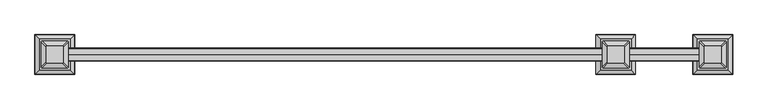
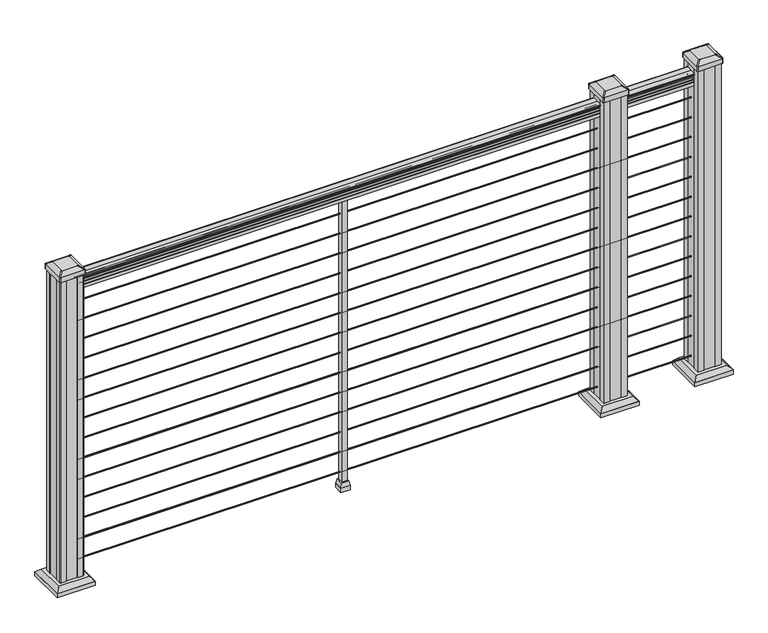
"""IFC4 building model written with IfcOpenShell, lengths in millimetres: railing geometry."""

import ifcopenshell
import ifcopenshell.guid

model = None  # the IFC model being written
_history = None  # IfcOwnerHistory: only IFC2X3 demands one
_inside = {}  # id of a spatial element -> (the spatial element, [elements in it])
_under = {}  # id of a project, library or spatial element -> (it, [spatial elements below it])
_declared = {}  # id of a project -> (the project, [libraries it declares])
_typed = {}  # id of a type object -> (the type object, [elements of that type])
_made_of = {}  # id of a material, layer set ... -> (it, [elements and type objects made of it])


def new_model(schema):
    """Start an empty IFC model of exactly this schema.

    Asked for "IFC4X3", IfcOpenShell would pick the latest addendum, in which some entities
    have other attributes; the version numbers below select the first issue.
    IFC2X3 requires an IfcOwnerHistory on every rooted entity: one is made here for all.
    """
    global model, _history
    if schema == "IFC4X3":
        model = ifcopenshell.file(schema_version=(4, 3, 0, 0))
    else:
        model = ifcopenshell.file(schema=schema)
    _inside.clear()
    _under.clear()
    _declared.clear()
    _typed.clear()
    _made_of.clear()
    _history = None
    if model.schema == "IFC2X3":
        org = make("IfcOrganization", Name="unknown")
        user = make(
            "IfcPersonAndOrganization",
            ThePerson=make("IfcPerson", FamilyName="unknown"),
            TheOrganization=org,
        )
        app = make(
            "IfcApplication",
            ApplicationDeveloper=org,
            Version="unknown",
            ApplicationFullName="unknown",
            ApplicationIdentifier="unknown",
        )
        _history = make(
            "IfcOwnerHistory",
            OwningUser=user,
            OwningApplication=app,
            ChangeAction="ADDED",
            CreationDate=0,
        )
    return model


def make(cls, **values):
    """One entity of the class cls with the attributes given. An attribute that is None is left unset."""
    return model.create_entity(
        cls, **{name: value for name, value in values.items() if value is not None}
    )


def rooted(cls, **values):
    """An entity with a GlobalId (a new one), such as an element, a storey or a relation."""
    return make(cls, GlobalId=ifcopenshell.guid.new(), OwnerHistory=_history, **values)


def si_unit(unit_type, name, prefix=None):
    """IfcSIUnit, for example si_unit("LENGTHUNIT", "METRE", prefix="MILLI")."""
    return make("IfcSIUnit", UnitType=unit_type, Prefix=prefix, Name=name)


def assignment(units):
    """IfcUnitAssignment: the units of a project."""
    return None if units is None else make("IfcUnitAssignment", Units=units)


def point(xyz):
    """IfcCartesianPoint."""
    return None if xyz is None else make("IfcCartesianPoint", Coordinates=xyz)


def direction(xyz):
    """IfcDirection."""
    return None if xyz is None else make("IfcDirection", DirectionRatios=xyz)


def frame(location, z_axis=None, x_axis=None):
    """IfcAxis2Placement3D, a coordinate frame: its origin and axes. An axis left out is left unset."""
    return make(
        "IfcAxis2Placement3D",
        Location=point(location),
        Axis=direction(z_axis),
        RefDirection=direction(x_axis),
    )


def frame_2d(location, x_axis=None):
    """IfcAxis2Placement2D, a coordinate frame in the plane: its origin and x axis."""
    return make(
        "IfcAxis2Placement2D", Location=point(location), RefDirection=direction(x_axis)
    )


def origin():
    """The frame at (0, 0, 0) with its axes left unset."""
    return frame((0.0, 0.0, 0.0))


def origin_with_axes():
    """The frame at (0, 0, 0) with the z axis (0, 0, 1) and the x axis (1, 0, 0) written out."""
    return frame((0.0, 0.0, 0.0), z_axis=(0.0, 0.0, 1.0), x_axis=(1.0, 0.0, 0.0))


def place(relative_to, where):
    """IfcLocalPlacement: puts the frame where relative to a parent placement (None: the world)."""
    return make(
        "IfcLocalPlacement", PlacementRelTo=relative_to, RelativePlacement=where
    )


def context(
    kind, dimensions, precision=None, world=None, true_north=None, identifier=None
):
    """IfcGeometricRepresentationContext, for example the 3D "Model" context."""
    return make(
        "IfcGeometricRepresentationContext",
        ContextIdentifier=identifier,
        ContextType=kind,
        CoordinateSpaceDimension=dimensions,
        Precision=precision,
        WorldCoordinateSystem=world,
        TrueNorth=true_north,
    )


def project(units=None, contexts=None):
    """IfcProject with its units and contexts."""
    return rooted(
        "IfcProject",
        Name="project",
        RepresentationContexts=contexts,
        UnitsInContext=assignment(units),
    )


def spatial(cls, under=None, at=None, **own):
    """A site, building, storey or space (cls), placed at a placement, below another one or the project."""
    s = rooted(cls, ObjectPlacement=at, **own)
    if under is not None:
        _under.setdefault(under.id(), (under, []))[1].append(s)
    return s


def polyline(points):
    """IfcPolyline through the points."""
    return make("IfcPolyline", Points=[point(p) for p in points])


def circle_curve(where, radius):
    """IfcCircle in the frame where."""
    return make("IfcCircle", Position=where, Radius=radius)


def trimmed(basis, trim1, trim2, sense, master):
    """IfcTrimmedCurve: the piece of a basis curve between two trims."""
    return make(
        "IfcTrimmedCurve",
        BasisCurve=basis,
        Trim1=trim1,
        Trim2=trim2,
        SenseAgreement=sense,
        MasterRepresentation=master,
    )


def segment(curve, same_sense, transition):
    """IfcCompositeCurveSegment."""
    return make(
        "IfcCompositeCurveSegment",
        Transition=transition,
        SameSense=same_sense,
        ParentCurve=curve,
    )


def composite_curve(segments, self_intersect=None):
    """IfcCompositeCurve: segments joined end to end."""
    return make("IfcCompositeCurve", Segments=segments, SelfIntersect=self_intersect)


def outline(outer, holes=None, kind="AREA"):
    """IfcArbitraryClosedProfileDef: a profile drawn as a closed curve; with holes, ...WithVoids."""
    if holes is None:
        return make("IfcArbitraryClosedProfileDef", ProfileType=kind, OuterCurve=outer)
    return make(
        "IfcArbitraryProfileDefWithVoids",
        ProfileType=kind,
        OuterCurve=outer,
        InnerCurves=holes,
    )


def extrude(swept, where, along, depth):
    """IfcExtrudedAreaSolid: the profile swept, set in the frame where, extruded along a direction by depth."""
    return make(
        "IfcExtrudedAreaSolid",
        SweptArea=swept,
        Position=where,
        ExtrudedDirection=direction(along),
        Depth=depth,
    )


def faces_of(points, faces, orient=None, outer=None):
    """IfcFace entities. A face is a list of loops; a loop is a list of indices into points, from 0.

    orient and outer hold one flag for each loop. By default every Orientation is true, the
    first loop of a face is its IfcFaceOuterBound and the others are IfcFaceBound.
    """
    made = []
    for i, loops in enumerate(faces):
        bounds = []
        for j, loop in enumerate(loops):
            is_outer = j == 0 if outer is None else outer[i][j]
            bounds.append(
                make(
                    "IfcFaceOuterBound" if is_outer else "IfcFaceBound",
                    Bound=make("IfcPolyLoop", Polygon=[points[k] for k in loop]),
                    Orientation=True if orient is None else orient[i][j],
                )
            )
        made.append(make("IfcFace", Bounds=bounds))
    return made


def faceted_brep(points, faces, orient=None, outer=None, voids=None):
    """IfcFacetedBrep: a solid bounded by flat faces; with voids (closed shells), ...WithVoids."""
    shared = [point(p) for p in points]
    hull = make("IfcClosedShell", CfsFaces=faces_of(shared, faces, orient, outer))
    if voids is None:
        return make("IfcFacetedBrep", Outer=hull)
    return make(
        "IfcFacetedBrepWithVoids",
        Outer=hull,
        Voids=[
            make(cls, CfsFaces=faces_of(shared, fs, o, b)) for cls, fs, o, b in voids
        ],
    )


def shape(context_of_items, identifier, shape_type, items):
    """IfcShapeRepresentation: the items that make up one representation, for example the "Body"."""
    return make(
        "IfcShapeRepresentation",
        ContextOfItems=context_of_items,
        RepresentationIdentifier=identifier,
        RepresentationType=shape_type,
        Items=items,
    )


def source(mapping_origin, context_of_items, identifier, shape_type, items):
    """IfcRepresentationMap: a shape defined once, which mapped items show again and again."""
    return make(
        "IfcRepresentationMap",
        MappingOrigin=mapping_origin,
        MappedRepresentation=shape(context_of_items, identifier, shape_type, items),
    )


def transform(
    local_origin,
    x_axis=None,
    y_axis=None,
    z_axis=None,
    scale=None,
    scale2=None,
    scale3=None,
    uniform=True,
):
    """IfcCartesianTransformationOperator3D, or its non-uniform kind. x_axis, y_axis, z_axis: its Axis1, 2, 3."""
    if uniform:
        return make(
            "IfcCartesianTransformationOperator3D",
            Axis1=direction(x_axis),
            Axis2=direction(y_axis),
            LocalOrigin=point(local_origin),
            Scale=scale,
            Axis3=direction(z_axis),
        )
    return make(
        "IfcCartesianTransformationOperator3DnonUniform",
        Axis1=direction(x_axis),
        Axis2=direction(y_axis),
        LocalOrigin=point(local_origin),
        Scale=scale,
        Axis3=direction(z_axis),
        Scale2=scale2,
        Scale3=scale3,
    )


def mapped(mapping_source, mapping_target):
    """IfcMappedItem: shows the shape of a source again, moved by a transform."""
    return make(
        "IfcMappedItem", MappingSource=mapping_source, MappingTarget=mapping_target
    )


def made_of(thing, what):
    """Note that an element or type object is made of a material, layer set ...; save() writes the relation."""
    if what is not None:
        _made_of.setdefault(what.id(), (what, []))[1].append(thing)
    return thing


def element(
    cls,
    number,
    at=None,
    inside=None,
    cuts=None,
    type_object=None,
    material=None,
    context=None,
    identifier="Body",
    shape_type=None,
    held_by="IfcProductDefinitionShape",
    body=None,
    shapes=None,
    **own,
):
    """One element of the class cls, such as IfcWall. Its Tag is "e" and its number.

    at: its placement. inside: the storey or other place that contains it. cuts: it is an
    opening in that element (IfcRelVoidsElement). A single representation is given by context,
    identifier, shape_type and body (its items); several are given by shapes. held_by: the class
    of the entity that holds the representations. save() writes the other relations.
    """
    e = rooted(cls, Tag="e%d" % number, ObjectPlacement=at, **own)
    if body is not None:
        shapes = [shape(context, identifier, shape_type, body)]
    if shapes is not None:
        e.Representation = make(held_by, Representations=shapes)
    if inside is not None:
        _inside.setdefault(inside.id(), (inside, []))[1].append(e)
    if cuts is not None:
        rooted(
            "IfcRelVoidsElement", RelatingBuildingElement=cuts, RelatedOpeningElement=e
        )
    if type_object is not None:
        _typed.setdefault(type_object.id(), (type_object, []))[1].append(e)
    return made_of(e, material)


def aggregate(whole, parts):
    """IfcRelAggregates: a whole, such as a stair, and the parts it consists of."""
    return rooted("IfcRelAggregates", RelatingObject=whole, RelatedObjects=parts)


def save(model, path):
    """Write the relations noted so far, then the file.

    IfcRelAggregates (storeys below a building ...), IfcRelContainedInSpatialStructure (elements
    in a storey), IfcRelDefinesByType, IfcRelAssociatesMaterial and IfcRelDeclares: one each for
    every whole, place, type object, material and project.
    """
    for whole, parts in _under.values():
        aggregate(whole, parts)
    for where, things in _inside.values():
        rooted(
            "IfcRelContainedInSpatialStructure",
            RelatedElements=things,
            RelatingStructure=where,
        )
    for kind, things in _typed.values():
        rooted("IfcRelDefinesByType", RelatedObjects=things, RelatingType=kind)
    for what, things in _made_of.values():
        rooted("IfcRelAssociatesMaterial", RelatedObjects=things, RelatingMaterial=what)
    for by, libraries in _declared.values():
        rooted("IfcRelDeclares", RelatingContext=by, RelatedDefinitions=libraries)
    model.write(path)


def plane_surface(at):
    """IfcPlane: the flat surface through the origin of the frame at, square to its z axis."""
    return make("IfcPlane", Position=at)


def extruded_surface(curve, direction_of_extrusion, depth):
    """IfcSurfaceOfLinearExtrusion: the curve pushed along a direction by depth."""
    return make(
        "IfcSurfaceOfLinearExtrusion",
        SweptCurve=make("IfcArbitraryOpenProfileDef", ProfileType="CURVE", Curve=curve),
        ExtrudedDirection=direction(direction_of_extrusion),
        Depth=depth,
    )


def advanced_brep(points, edges, surfaces, faces):
    """IfcAdvancedBrep: a solid bounded by faces that lie on surfaces and meet in shared edges.

    An edge is (start, end): straight between two places in points (the first is 0);
    or (start, end, curve); or (start, end, curve, False) where it runs against its curve.
    A face is (place in surfaces, loops), or (place, loops, False) where it looks against
    its surface's normal. A loop lists edges by number (the first is 1), with a minus sign
    where the edge is run from its end to its start. The first loop is the outer one.
    """
    corners = [point(p) for p in points]
    vertices = [make("IfcVertexPoint", VertexGeometry=c) for c in corners]
    made = []
    for start, end, *more in edges:
        made.append(
            make(
                "IfcEdgeCurve",
                EdgeStart=vertices[start],
                EdgeEnd=vertices[end],
                EdgeGeometry=more[0] if more else make("IfcPolyline", Points=[corners[start], corners[end]]),
                SameSense=more[1] if len(more) > 1 else True,
            )
        )
    hull = []
    for where, loops, *sense in faces:
        bounds = []
        for j, loop in enumerate(loops):
            ring = [make("IfcOrientedEdge", EdgeElement=made[abs(k) - 1], Orientation=k > 0) for k in loop]
            bounds.append(
                make(
                    "IfcFaceOuterBound" if j == 0 else "IfcFaceBound",
                    Bound=make("IfcEdgeLoop", EdgeList=ring),
                    Orientation=True,
                )
            )
        hull.append(make("IfcAdvancedFace", Bounds=bounds, FaceSurface=surfaces[where], SameSense=sense[0] if sense else True))
    return make("IfcAdvancedBrep", Outer=make("IfcClosedShell", CfsFaces=hull))


def railing_b93de1a6(model_context):
    return source(origin(), model_context, "Body", "SolidModel", [
        extrude(outline(composite_curve([segment(polyline([(-102477.3992427, 1090.8043297), (-102477.3992427, 1092.692412)]), True, "CONTINUOUS"), segment(trimmed(circle_curve(frame_2d((-102471.0844895, 1098.4506383)), 8.545951), [point((-102477.3992427, 1092.692412))], [point((-102478.529429, 1094.2546695))], False, "CARTESIAN"), True, "CONTINUOUS"), segment(trimmed(circle_curve(frame_2d((-102471.5215524, 1097.8636577)), 7.882584), [point((-102478.529429, 1094.2546695))], [point((-102478.529429, 1101.4726458))], False, "CARTESIAN"), True, "CONTINUOUS"), segment(trimmed(circle_curve(frame_2d((-102482.0348766, 1103.7112527)), 4.1592695), [point((-102478.529429, 1101.4726458))], [point((-102477.8801726, 1103.9060812))], True, "CARTESIAN"), True, "CONTINUOUS"), segment(trimmed(circle_curve(frame_2d((-102483.3221831, 1103.6508864)), 5.4479907), [point((-102477.8801726, 1103.9060812))], [point((-102480.3801726, 1108.2362083))], True, "CARTESIAN"), True, "CONTINUOUS"), segment(trimmed(circle_curve(frame_2d((-102482.0890247, 1108.233395)), 1.7088543), [point((-102480.3801726, 1108.2362083))], [point((-102481.7895151, 1109.9157972))], True, "CARTESIAN"), True, "CONTINUOUS"), segment(trimmed(circle_curve(frame_2d((-102480.4721246, 1111.0205318)), 1.7192895), [point((-102481.7895151, 1109.9157972))], [point((-102482.1914141, 1111.0205318))], False, "CARTESIAN"), True, "CONTINUOUS"), segment(polyline([(-102482.1914141, 1111.0205318), (-102482.191414, 1112.3608158)]), True, "CONTINUOUS"), segment(trimmed(circle_curve(frame_2d((-102480.6379668, 1112.3608158)), 1.5534472), [point((-102482.191414, 1112.3608158))], [point((-102480.6379668, 1113.914263))], False, "CARTESIAN"), True, "CONTINUOUS"), segment(polyline([(-102480.6379668, 1113.914263), (-102459.966414, 1113.914263), (-102439.2948612, 1113.914263)]), True, "CONTINUOUS"), segment(trimmed(circle_curve(frame_2d((-102439.2948612, 1112.3608158)), 1.5534472), [point((-102439.2948612, 1113.914263))], [point((-102437.741414, 1112.3608158))], False, "CARTESIAN"), True, "CONTINUOUS"), segment(polyline([(-102437.741414, 1112.3608158), (-102437.741414, 1111.0205318)]), True, "CONTINUOUS"), segment(trimmed(circle_curve(frame_2d((-102439.4607034, 1111.0205318)), 1.7192895), [point((-102437.741414, 1111.0205318))], [point((-102438.1433129, 1109.9157972))], False, "CARTESIAN"), True, "CONTINUOUS"), segment(trimmed(circle_curve(frame_2d((-102437.8438033, 1108.233395)), 1.7088543), [point((-102438.1433129, 1109.9157972))], [point((-102439.5526554, 1108.2362083))], True, "CARTESIAN"), True, "CONTINUOUS"), segment(trimmed(circle_curve(frame_2d((-102436.6106449, 1103.6508864)), 5.4479907), [point((-102439.5526554, 1108.2362083))], [point((-102442.0526554, 1103.9060812))], True, "CARTESIAN"), True, "CONTINUOUS"), segment(trimmed(circle_curve(frame_2d((-102437.8979515, 1103.7112527)), 4.1592695), [point((-102442.0526554, 1103.9060812))], [point((-102441.403399, 1101.4726458))], True, "CARTESIAN"), True, "CONTINUOUS"), segment(trimmed(circle_curve(frame_2d((-102448.4112756, 1097.8636577)), 7.882584), [point((-102441.403399, 1101.4726458))], [point((-102441.403399, 1094.2546695))], False, "CARTESIAN"), True, "CONTINUOUS"), segment(trimmed(circle_curve(frame_2d((-102448.8483386, 1098.4506383)), 8.545951), [point((-102441.403399, 1094.2546695))], [point((-102442.5335853, 1092.692412))], False, "CARTESIAN"), True, "CONTINUOUS"), segment(polyline([(-102442.5335853, 1092.692412), (-102442.5335853, 1090.8043297)]), True, "CONTINUOUS"), segment(trimmed(circle_curve(frame_2d((-102443.8204996, 1090.8043297)), 1.2869144), [point((-102442.5335853, 1090.8043297))], [point((-102445.107414, 1090.8043297))], False, "CARTESIAN"), True, "CONTINUOUS"), segment(polyline([(-102445.107414, 1090.8043297), (-102445.107414, 1080.3048283), (-102444.091414, 1079.2888283), (-102444.091414, 1066.8), (-102475.841414, 1066.8), (-102475.841414, 1079.131013), (-102474.825414, 1080.147013), (-102474.825414, 1090.8043297)]), True, "CONTINUOUS"), segment(trimmed(circle_curve(frame_2d((-102476.1123284, 1090.8043297)), 1.2869144), [point((-102474.825414, 1090.8043297))], [point((-102477.3992427, 1090.8043297))], False, "CARTESIAN"), True, "CONTINUOUS")], self_intersect=False)), frame((13523.6817463, 0.0, 0.0), z_axis=(1.0, 0.0, 0.0), x_axis=(0.0, 1.0, 0.0)), (0.0, 0.0, 1.0), 2133.6),
        extrude(outline(composite_curve([segment(trimmed(circle_curve(frame_2d((-102459.966414, 65.024)), 1.5875), [point((-102458.378914, 65.024))], [point((-102459.966414, 63.4365))], False, "CARTESIAN"), True, "CONTINUOUS"), segment(trimmed(circle_curve(frame_2d((-102459.966414, 65.024)), 1.5875), [point((-102459.966414, 63.4365))], [point((-102461.553914, 65.024))], False, "CARTESIAN"), True, "CONTINUOUS"), segment(trimmed(circle_curve(frame_2d((-102459.966414, 65.024)), 1.5875), [point((-102461.553914, 65.024))], [point((-102459.966414, 66.6115))], False, "CARTESIAN"), True, "CONTINUOUS"), segment(trimmed(circle_curve(frame_2d((-102459.966414, 65.024)), 1.5875), [point((-102459.966414, 66.6115))], [point((-102458.378914, 65.024))], False, "CARTESIAN"), True, "CONTINUOUS")], self_intersect=False)), frame((13523.6817463, 0.0, 0.0), z_axis=(1.0, 0.0, 0.0), x_axis=(0.0, 1.0, 0.0)), (0.0, 0.0, 1.0), 2133.6),
        extrude(outline(composite_curve([segment(trimmed(circle_curve(frame_2d((-102459.966414, 138.176)), 1.5875), [point((-102458.378914, 138.176))], [point((-102459.966414, 136.5885))], False, "CARTESIAN"), True, "CONTINUOUS"), segment(trimmed(circle_curve(frame_2d((-102459.966414, 138.176)), 1.5875), [point((-102459.966414, 136.5885))], [point((-102461.553914, 138.176))], False, "CARTESIAN"), True, "CONTINUOUS"), segment(trimmed(circle_curve(frame_2d((-102459.966414, 138.176)), 1.5875), [point((-102461.553914, 138.176))], [point((-102459.966414, 139.7635))], False, "CARTESIAN"), True, "CONTINUOUS"), segment(trimmed(circle_curve(frame_2d((-102459.966414, 138.176)), 1.5875), [point((-102459.966414, 139.7635))], [point((-102458.378914, 138.176))], False, "CARTESIAN"), True, "CONTINUOUS")], self_intersect=False)), frame((13523.6817463, 0.0, 0.0), z_axis=(1.0, 0.0, 0.0), x_axis=(0.0, 1.0, 0.0)), (0.0, 0.0, 1.0), 2133.6),
        extrude(outline(composite_curve([segment(trimmed(circle_curve(frame_2d((-102459.966414, 211.074)), 1.5875), [point((-102458.378914, 211.074))], [point((-102459.966414, 209.4865))], False, "CARTESIAN"), True, "CONTINUOUS"), segment(trimmed(circle_curve(frame_2d((-102459.966414, 211.074)), 1.5875), [point((-102459.966414, 209.4865))], [point((-102461.553914, 211.074))], False, "CARTESIAN"), True, "CONTINUOUS"), segment(trimmed(circle_curve(frame_2d((-102459.966414, 211.074)), 1.5875), [point((-102461.553914, 211.074))], [point((-102459.966414, 212.6615))], False, "CARTESIAN"), True, "CONTINUOUS"), segment(trimmed(circle_curve(frame_2d((-102459.966414, 211.074)), 1.5875), [point((-102459.966414, 212.6615))], [point((-102458.378914, 211.074))], False, "CARTESIAN"), True, "CONTINUOUS")], self_intersect=False)), frame((13523.6817463, 0.0, 0.0), z_axis=(1.0, 0.0, 0.0), x_axis=(0.0, 1.0, 0.0)), (0.0, 0.0, 1.0), 2133.6),
        extrude(outline(composite_curve([segment(trimmed(circle_curve(frame_2d((-102459.966414, 284.226)), 1.5875), [point((-102458.378914, 284.226))], [point((-102459.966414, 282.6385))], False, "CARTESIAN"), True, "CONTINUOUS"), segment(trimmed(circle_curve(frame_2d((-102459.966414, 284.226)), 1.5875), [point((-102459.966414, 282.6385))], [point((-102461.553914, 284.226))], False, "CARTESIAN"), True, "CONTINUOUS"), segment(trimmed(circle_curve(frame_2d((-102459.966414, 284.226)), 1.5875), [point((-102461.553914, 284.226))], [point((-102459.966414, 285.8135))], False, "CARTESIAN"), True, "CONTINUOUS"), segment(trimmed(circle_curve(frame_2d((-102459.966414, 284.226)), 1.5875), [point((-102459.966414, 285.8135))], [point((-102458.378914, 284.226))], False, "CARTESIAN"), True, "CONTINUOUS")], self_intersect=False)), frame((13523.6817463, 0.0, 0.0), z_axis=(1.0, 0.0, 0.0), x_axis=(0.0, 1.0, 0.0)), (0.0, 0.0, 1.0), 2133.6),
        extrude(outline(composite_curve([segment(trimmed(circle_curve(frame_2d((-102459.966414, 357.124)), 1.5875), [point((-102458.378914, 357.124))], [point((-102459.966414, 355.5365))], False, "CARTESIAN"), True, "CONTINUOUS"), segment(trimmed(circle_curve(frame_2d((-102459.966414, 357.124)), 1.5875), [point((-102459.966414, 355.5365))], [point((-102461.553914, 357.124))], False, "CARTESIAN"), True, "CONTINUOUS"), segment(trimmed(circle_curve(frame_2d((-102459.966414, 357.124)), 1.5875), [point((-102461.553914, 357.124))], [point((-102459.966414, 358.7115))], False, "CARTESIAN"), True, "CONTINUOUS"), segment(trimmed(circle_curve(frame_2d((-102459.966414, 357.124)), 1.5875), [point((-102459.966414, 358.7115))], [point((-102458.378914, 357.124))], False, "CARTESIAN"), True, "CONTINUOUS")], self_intersect=False)), frame((13523.6817463, 0.0, 0.0), z_axis=(1.0, 0.0, 0.0), x_axis=(0.0, 1.0, 0.0)), (0.0, 0.0, 1.0), 2133.6),
        extrude(outline(composite_curve([segment(trimmed(circle_curve(frame_2d((-102459.966414, 430.276)), 1.5875), [point((-102458.378914, 430.276))], [point((-102459.966414, 428.6885))], False, "CARTESIAN"), True, "CONTINUOUS"), segment(trimmed(circle_curve(frame_2d((-102459.966414, 430.276)), 1.5875), [point((-102459.966414, 428.6885))], [point((-102461.553914, 430.276))], False, "CARTESIAN"), True, "CONTINUOUS"), segment(trimmed(circle_curve(frame_2d((-102459.966414, 430.276)), 1.5875), [point((-102461.553914, 430.276))], [point((-102459.966414, 431.8635))], False, "CARTESIAN"), True, "CONTINUOUS"), segment(trimmed(circle_curve(frame_2d((-102459.966414, 430.276)), 1.5875), [point((-102459.966414, 431.8635))], [point((-102458.378914, 430.276))], False, "CARTESIAN"), True, "CONTINUOUS")], self_intersect=False)), frame((13523.6817463, 0.0, 0.0), z_axis=(1.0, 0.0, 0.0), x_axis=(0.0, 1.0, 0.0)), (0.0, 0.0, 1.0), 2133.6),
        extrude(outline(composite_curve([segment(trimmed(circle_curve(frame_2d((-102459.966414, 503.174)), 1.5875), [point((-102458.378914, 503.174))], [point((-102459.966414, 501.5865))], False, "CARTESIAN"), True, "CONTINUOUS"), segment(trimmed(circle_curve(frame_2d((-102459.966414, 503.174)), 1.5875), [point((-102459.966414, 501.5865))], [point((-102461.553914, 503.174))], False, "CARTESIAN"), True, "CONTINUOUS"), segment(trimmed(circle_curve(frame_2d((-102459.966414, 503.174)), 1.5875), [point((-102461.553914, 503.174))], [point((-102459.966414, 504.7615))], False, "CARTESIAN"), True, "CONTINUOUS"), segment(trimmed(circle_curve(frame_2d((-102459.966414, 503.174)), 1.5875), [point((-102459.966414, 504.7615))], [point((-102458.378914, 503.174))], False, "CARTESIAN"), True, "CONTINUOUS")], self_intersect=False)), frame((13523.6817463, 0.0, 0.0), z_axis=(1.0, 0.0, 0.0), x_axis=(0.0, 1.0, 0.0)), (0.0, 0.0, 1.0), 2133.6),
        extrude(outline(composite_curve([segment(trimmed(circle_curve(frame_2d((-102459.966414, 576.326)), 1.5875), [point((-102458.378914, 576.326))], [point((-102459.966414, 574.7385))], False, "CARTESIAN"), True, "CONTINUOUS"), segment(trimmed(circle_curve(frame_2d((-102459.966414, 576.326)), 1.5875), [point((-102459.966414, 574.7385))], [point((-102461.553914, 576.326))], False, "CARTESIAN"), True, "CONTINUOUS"), segment(trimmed(circle_curve(frame_2d((-102459.966414, 576.326)), 1.5875), [point((-102461.553914, 576.326))], [point((-102459.966414, 577.9135))], False, "CARTESIAN"), True, "CONTINUOUS"), segment(trimmed(circle_curve(frame_2d((-102459.966414, 576.326)), 1.5875), [point((-102459.966414, 577.9135))], [point((-102458.378914, 576.326))], False, "CARTESIAN"), True, "CONTINUOUS")], self_intersect=False)), frame((13523.6817463, 0.0, 0.0), z_axis=(1.0, 0.0, 0.0), x_axis=(0.0, 1.0, 0.0)), (0.0, 0.0, 1.0), 2133.6),
        extrude(outline(composite_curve([segment(trimmed(circle_curve(frame_2d((-102459.966414, 649.224)), 1.5875), [point((-102458.378914, 649.224))], [point((-102459.966414, 647.6365))], False, "CARTESIAN"), True, "CONTINUOUS"), segment(trimmed(circle_curve(frame_2d((-102459.966414, 649.224)), 1.5875), [point((-102459.966414, 647.6365))], [point((-102461.553914, 649.224))], False, "CARTESIAN"), True, "CONTINUOUS"), segment(trimmed(circle_curve(frame_2d((-102459.966414, 649.224)), 1.5875), [point((-102461.553914, 649.224))], [point((-102459.966414, 650.8115))], False, "CARTESIAN"), True, "CONTINUOUS"), segment(trimmed(circle_curve(frame_2d((-102459.966414, 649.224)), 1.5875), [point((-102459.966414, 650.8115))], [point((-102458.378914, 649.224))], False, "CARTESIAN"), True, "CONTINUOUS")], self_intersect=False)), frame((13523.6817463, 0.0, 0.0), z_axis=(1.0, 0.0, 0.0), x_axis=(0.0, 1.0, 0.0)), (0.0, 0.0, 1.0), 2133.6),
        extrude(outline(composite_curve([segment(trimmed(circle_curve(frame_2d((-102459.966414, 722.376)), 1.5875), [point((-102458.378914, 722.376))], [point((-102459.966414, 720.7885))], False, "CARTESIAN"), True, "CONTINUOUS"), segment(trimmed(circle_curve(frame_2d((-102459.966414, 722.376)), 1.5875), [point((-102459.966414, 720.7885))], [point((-102461.553914, 722.376))], False, "CARTESIAN"), True, "CONTINUOUS"), segment(trimmed(circle_curve(frame_2d((-102459.966414, 722.376)), 1.5875), [point((-102461.553914, 722.376))], [point((-102459.966414, 723.9635))], False, "CARTESIAN"), True, "CONTINUOUS"), segment(trimmed(circle_curve(frame_2d((-102459.966414, 722.376)), 1.5875), [point((-102459.966414, 723.9635))], [point((-102458.378914, 722.376))], False, "CARTESIAN"), True, "CONTINUOUS")], self_intersect=False)), frame((13523.6817463, 0.0, 0.0), z_axis=(1.0, 0.0, 0.0), x_axis=(0.0, 1.0, 0.0)), (0.0, 0.0, 1.0), 2133.6),
        extrude(outline(composite_curve([segment(trimmed(circle_curve(frame_2d((-102459.966414, 795.274)), 1.5875), [point((-102458.378914, 795.274))], [point((-102459.966414, 793.6865))], False, "CARTESIAN"), True, "CONTINUOUS"), segment(trimmed(circle_curve(frame_2d((-102459.966414, 795.274)), 1.5875), [point((-102459.966414, 793.6865))], [point((-102461.553914, 795.274))], False, "CARTESIAN"), True, "CONTINUOUS"), segment(trimmed(circle_curve(frame_2d((-102459.966414, 795.274)), 1.5875), [point((-102461.553914, 795.274))], [point((-102459.966414, 796.8615))], False, "CARTESIAN"), True, "CONTINUOUS"), segment(trimmed(circle_curve(frame_2d((-102459.966414, 795.274)), 1.5875), [point((-102459.966414, 796.8615))], [point((-102458.378914, 795.274))], False, "CARTESIAN"), True, "CONTINUOUS")], self_intersect=False)), frame((13523.6817463, 0.0, 0.0), z_axis=(1.0, 0.0, 0.0), x_axis=(0.0, 1.0, 0.0)), (0.0, 0.0, 1.0), 2133.6),
        extrude(outline(composite_curve([segment(trimmed(circle_curve(frame_2d((-102459.966414, 868.426)), 1.5875), [point((-102458.378914, 868.426))], [point((-102459.966414, 866.8385))], False, "CARTESIAN"), True, "CONTINUOUS"), segment(trimmed(circle_curve(frame_2d((-102459.966414, 868.426)), 1.5875), [point((-102459.966414, 866.8385))], [point((-102461.553914, 868.426))], False, "CARTESIAN"), True, "CONTINUOUS"), segment(trimmed(circle_curve(frame_2d((-102459.966414, 868.426)), 1.5875), [point((-102461.553914, 868.426))], [point((-102459.966414, 870.0135))], False, "CARTESIAN"), True, "CONTINUOUS"), segment(trimmed(circle_curve(frame_2d((-102459.966414, 868.426)), 1.5875), [point((-102459.966414, 870.0135))], [point((-102458.378914, 868.426))], False, "CARTESIAN"), True, "CONTINUOUS")], self_intersect=False)), frame((13523.6817463, 0.0, 0.0), z_axis=(1.0, 0.0, 0.0), x_axis=(0.0, 1.0, 0.0)), (0.0, 0.0, 1.0), 2133.6),
        extrude(outline(composite_curve([segment(trimmed(circle_curve(frame_2d((-102459.966414, 941.324)), 1.5875), [point((-102458.378914, 941.324))], [point((-102459.966414, 939.7365))], False, "CARTESIAN"), True, "CONTINUOUS"), segment(trimmed(circle_curve(frame_2d((-102459.966414, 941.324)), 1.5875), [point((-102459.966414, 939.7365))], [point((-102461.553914, 941.324))], False, "CARTESIAN"), True, "CONTINUOUS"), segment(trimmed(circle_curve(frame_2d((-102459.966414, 941.324)), 1.5875), [point((-102461.553914, 941.324))], [point((-102459.966414, 942.9115))], False, "CARTESIAN"), True, "CONTINUOUS"), segment(trimmed(circle_curve(frame_2d((-102459.966414, 941.324)), 1.5875), [point((-102459.966414, 942.9115))], [point((-102458.378914, 941.324))], False, "CARTESIAN"), True, "CONTINUOUS")], self_intersect=False)), frame((13523.6817463, 0.0, 0.0), z_axis=(1.0, 0.0, 0.0), x_axis=(0.0, 1.0, 0.0)), (0.0, 0.0, 1.0), 2133.6),
        extrude(outline(composite_curve([segment(trimmed(circle_curve(frame_2d((-102459.966414, 1014.476)), 1.5875), [point((-102458.378914, 1014.476))], [point((-102459.966414, 1012.8885))], False, "CARTESIAN"), True, "CONTINUOUS"), segment(trimmed(circle_curve(frame_2d((-102459.966414, 1014.476)), 1.5875), [point((-102459.966414, 1012.8885))], [point((-102461.553914, 1014.476))], False, "CARTESIAN"), True, "CONTINUOUS"), segment(trimmed(circle_curve(frame_2d((-102459.966414, 1014.476)), 1.5875), [point((-102461.553914, 1014.476))], [point((-102459.966414, 1016.0635))], False, "CARTESIAN"), True, "CONTINUOUS"), segment(trimmed(circle_curve(frame_2d((-102459.966414, 1014.476)), 1.5875), [point((-102459.966414, 1016.0635))], [point((-102458.378914, 1014.476))], False, "CARTESIAN"), True, "CONTINUOUS")], self_intersect=False)), frame((13523.6817463, 0.0, 0.0), z_axis=(1.0, 0.0, 0.0), x_axis=(0.0, 1.0, 0.0)), (0.0, 0.0, 1.0), 2133.6),
        faceted_brep([(15319.1998088, -102512.5523515, 28.575), (15424.3716838, -102512.5523515, 28.575), (15424.3716838, -102407.3804765, 28.575), (15319.1998088, -102407.3804765, 28.575), (15305.1603557, -102526.5918046, 15.24), (15305.1603557, -102393.3410234, 15.24), (15438.411137, -102393.3410234, 15.24), (15438.411137, -102526.5918046, 15.24)], [[[0, 1, 2, 3]], [[4, 5, 6, 7]], [[4, 0, 3, 5]], [[5, 3, 2, 6]], [[6, 2, 1, 7]], [[7, 1, 0, 4]]]),
        extrude(outline(polyline([(15305.1603557, -102526.5918046), (15305.1603557, -102393.3410234), (15438.411137, -102393.3410234), (15438.411137, -102526.5918046), (15305.1603557, -102526.5918046)])), origin_with_axes(), (0.0, 0.0, 1.0), 15.24),
        advanced_brep(
        [(15342.8138713, -102434.169539, 1165.225), (15342.8138713, -102485.763289, 1165.225), (15345.9888713, -102488.938289, 1165.225), (15397.5826213, -102488.938289, 1165.225), (15400.7576213, -102485.763289, 1165.225), (15400.7576213, -102434.169539, 1165.225), (15397.5826213, -102430.994539, 1165.225), (15345.9888713, -102430.994539, 1165.225), (15326.5419963, -102417.897664, 1153.922), (15329.7169963, -102414.722664, 1153.922), (15413.8544963, -102414.722664, 1153.922), (15417.0294963, -102417.897664, 1153.922), (15417.0294963, -102502.035164, 1153.922), (15413.8544963, -102505.210164, 1153.922), (15329.7169963, -102505.210164, 1153.922), (15326.5419963, -102502.035164, 1153.922)],
        [
            (0, 1),
            (1, 2, circle_curve(frame((15345.9888713, -102485.763289, 1165.225), z_axis=(0.0, 0.0, 1.0), x_axis=(1.0, 0.0, 0.0)), 3.175)),
            (2, 3),
            (3, 4, circle_curve(frame((15397.5826213, -102485.763289, 1165.225), z_axis=(0.0, 0.0, 1.0), x_axis=(1.0, 0.0, 0.0)), 3.175)),
            (4, 5),
            (5, 6, circle_curve(frame((15397.5826213, -102434.169539, 1165.225), z_axis=(0.0, 0.0, 1.0), x_axis=(1.0, 0.0, 0.0)), 3.175)),
            (6, 7),
            (7, 0, circle_curve(frame((15345.9888713, -102434.169539, 1165.225), z_axis=(0.0, 0.0, 1.0), x_axis=(1.0, 0.0, 0.0)), 3.175)),
            (8, 9, circle_curve(frame((15329.7169963, -102417.897664, 1153.922), z_axis=(0.0, 0.0, -1.0), x_axis=(1.0, 0.0, 0.0)), 3.175)),
            (9, 10),
            (10, 11, circle_curve(frame((15413.8544963, -102417.897664, 1153.922), z_axis=(0.0, 0.0, -1.0), x_axis=(1.0, 0.0, 0.0)), 3.175)),
            (11, 12),
            (12, 13, circle_curve(frame((15413.8544963, -102502.035164, 1153.922), z_axis=(0.0, 0.0, -1.0), x_axis=(1.0, 0.0, 0.0)), 3.175)),
            (13, 14),
            (14, 15, circle_curve(frame((15329.7169963, -102502.035164, 1153.922), z_axis=(0.0, 0.0, -1.0), x_axis=(1.0, 0.0, 0.0)), 3.175)),
            (15, 8),
            (8, 0),
            (7, 9),
            (6, 10),
            (5, 11),
            (4, 12),
            (3, 13),
            (2, 14),
            (1, 15),
        ],
        [
            plane_surface(frame((15371.7857463, -102459.966414, 1165.225), z_axis=(0.0, 0.0, 1.0), x_axis=(0.0, 1.0, 0.0))),
            plane_surface(frame((15371.7857463, -102459.966414, 1153.922), z_axis=(0.0, 0.0, -1.0), x_axis=(0.0, 1.0, 0.0))),
            extruded_surface(trimmed(circle_curve(frame((15345.9888713, -102434.169539, 1165.225), z_axis=(0.0, 0.0, -1.0), x_axis=(1.0, 0.0, 0.0)), 3.175), [point((15342.8138713, -102434.169539, 1165.225))], [point((15345.9888713, -102430.994539, 1165.225))], True, "CARTESIAN"), (-16.271875000000364, 16.27187499999127, -11.302999999999884), 25.637972638860802),
            plane_surface(frame((15371.7857463, -102414.722664, 1153.922), z_axis=(0.0, 0.5705009161540777, 0.8212969649690409), x_axis=(1.0, 0.0, 0.0))),
            extruded_surface(trimmed(circle_curve(frame((15397.5826213, -102434.169539, 1165.225), z_axis=(0.0, 0.0, -1.0), x_axis=(1.0, 0.0, 0.0)), 3.175), [point((15397.5826213, -102430.994539, 1165.225))], [point((15400.7576213, -102434.169539, 1165.225))], True, "CARTESIAN"), (16.271875000000364, 16.27187499999127, -11.302999999999884), 25.637972638860802),
            plane_surface(frame((15417.0294963, -102459.966414, 1153.922), z_axis=(0.5705009161540291, 0.0, 0.8212969649690747), x_axis=(0.0, -1.0, 0.0))),
            extruded_surface(trimmed(circle_curve(frame((15397.5826213, -102485.763289, 1165.225), z_axis=(0.0, 0.0, -1.0), x_axis=(1.0, 0.0, 0.0)), 3.175), [point((15400.7576213, -102485.763289, 1165.225))], [point((15397.5826213, -102488.938289, 1165.225))], True, "CARTESIAN"), (16.271875000000364, -16.27187500000582, -11.302999999999884), 25.637972638870036),
            plane_surface(frame((15371.7857463, -102505.210164, 1153.922), z_axis=(0.0, -0.5705009161540143, 0.821296964969085), x_axis=(-1.0, 0.0, 0.0))),
            extruded_surface(trimmed(circle_curve(frame((15345.9888713, -102485.763289, 1165.225), z_axis=(0.0, 0.0, -1.0), x_axis=(1.0, 0.0, 0.0)), 3.175), [point((15345.9888713, -102488.938289, 1165.225))], [point((15342.8138713, -102485.763289, 1165.225))], True, "CARTESIAN"), (-16.271875000000364, -16.27187500000582, -11.302999999999884), 25.637972638870036),
            plane_surface(frame((15326.5419963, -102459.966414, 1153.922), z_axis=(-0.570500916154034, 0.0, 0.8212969649690713), x_axis=(0.0, 1.0, 0.0))),
        ],
        [
            (0, [[1, 2, 3, 4, 5, 6, 7, 8]]),
            (1, [[9, 10, 11, 12, 13, 14, 15, 16]]),
            (2, [[17, -8, 18, -9]]),
            (3, [[-18, -7, 19, -10]]),
            (4, [[-19, -6, 20, -11]]),
            (5, [[-20, -5, 21, -12]]),
            (6, [[-21, -4, 22, -13]]),
            (7, [[-22, -3, 23, -14]]),
            (8, [[-23, -2, 24, -15]]),
            (9, [[-24, -1, -17, -16]]),
        ],
    ),
        extrude(outline(composite_curve([segment(trimmed(circle_curve(frame_2d((15329.7169963, -102417.897664)), 3.175), [point((15326.5419963, -102417.897664))], [point((15329.7169963, -102414.722664))], False, "CARTESIAN"), True, "CONTINUOUS"), segment(polyline([(15329.7169963, -102414.722664), (15413.8544963, -102414.722664)]), True, "CONTINUOUS"), segment(trimmed(circle_curve(frame_2d((15413.8544963, -102417.897664)), 3.175), [point((15413.8544963, -102414.722664))], [point((15417.0294963, -102417.897664))], False, "CARTESIAN"), True, "CONTINUOUS"), segment(polyline([(15417.0294963, -102417.897664), (15417.0294963, -102502.035164)]), True, "CONTINUOUS"), segment(trimmed(circle_curve(frame_2d((15413.8544963, -102502.035164)), 3.175), [point((15417.0294963, -102502.035164))], [point((15413.8544963, -102505.210164))], False, "CARTESIAN"), True, "CONTINUOUS"), segment(polyline([(15413.8544963, -102505.210164), (15329.7169963, -102505.210164)]), True, "CONTINUOUS"), segment(trimmed(circle_curve(frame_2d((15329.7169963, -102502.035164)), 3.175), [point((15329.7169963, -102505.210164))], [point((15326.5419963, -102502.035164))], False, "CARTESIAN"), True, "CONTINUOUS"), segment(polyline([(15326.5419963, -102502.035164), (15326.5419963, -102417.897664)]), True, "CONTINUOUS")], self_intersect=False)), frame((0.0, 0.0, 1136.65), z_axis=(0.0, 0.0, 1.0), x_axis=(1.0, 0.0, 0.0)), (0.0, 0.0, 1.0), 17.272),
        extrude(outline(polyline([(15330.5107463, -102420.278914), (15332.0982463, -102418.691414), (15351.7197463, -102418.691414), (15352.4817463, -102420.278914), (15391.0897463, -102420.278914), (15391.8517463, -102418.691414), (15411.4732463, -102418.691414), (15413.0607463, -102420.278914), (15413.0607463, -102439.900414), (15411.4732463, -102440.662414), (15411.4732463, -102479.270414), (15413.0607463, -102480.032414), (15413.0607463, -102499.653914), (15411.4732463, -102501.241414), (15391.8517463, -102501.241414), (15391.0897463, -102499.653914), (15352.4817463, -102499.653914), (15351.7197463, -102501.241414), (15332.0982463, -102501.241414), (15330.5107463, -102499.653914), (15330.5107463, -102480.032414), (15332.0982463, -102479.270414), (15332.0982463, -102440.662414), (15330.5107463, -102439.900414), (15330.5107463, -102420.278914)])), origin_with_axes(), (0.0, 0.0, 1.0), 1136.65),
        faceted_brep([(14435.0337463, -102472.666414, 32.1497081), (14460.4337463, -102472.666414, 32.1497081), (14460.4337463, -102447.266414, 32.1497081), (14435.0337463, -102447.266414, 32.1497081), (14431.8587463, -102475.841414, 16.2747081), (14431.8587463, -102444.091414, 16.2747081), (14463.6087463, -102444.091414, 16.2747081), (14463.6087463, -102475.841414, 16.2747081)], [[[0, 1, 2, 3]], [[4, 5, 6, 7]], [[4, 0, 3, 5]], [[5, 3, 2, 6]], [[6, 2, 1, 7]], [[7, 1, 0, 4]]]),
        extrude(outline(polyline([(14431.8587463, -102475.841414), (14431.8587463, -102444.091414), (14463.6087463, -102444.091414), (14463.6087463, -102475.841414), (14431.8587463, -102475.841414)])), origin_with_axes(), (0.0, 0.0, 1.0), 16.2747081),
        extrude(outline(polyline([(14438.2087463, -102469.491414), (14438.2087463, -102450.441414), (14457.2587463, -102450.441414), (14457.2587463, -102469.491414), (14438.2087463, -102469.491414)])), origin_with_axes(), (0.0, 0.0, 1.0), 1066.8),
        faceted_brep([(15646.0978088, -102512.5523515, 28.575), (15751.2696838, -102512.5523515, 28.575), (15751.2696838, -102407.3804765, 28.575), (15646.0978088, -102407.3804765, 28.575), (15632.0583557, -102526.5918046, 15.24), (15632.0583557, -102393.3410234, 15.24), (15765.309137, -102393.3410234, 15.24), (15765.309137, -102526.5918046, 15.24)], [[[0, 1, 2, 3]], [[4, 5, 6, 7]], [[4, 0, 3, 5]], [[5, 3, 2, 6]], [[6, 2, 1, 7]], [[7, 1, 0, 4]]]),
        extrude(outline(polyline([(15632.0583557, -102526.5918046), (15632.0583557, -102393.3410234), (15765.309137, -102393.3410234), (15765.309137, -102526.5918046), (15632.0583557, -102526.5918046)])), origin_with_axes(), (0.0, 0.0, 1.0), 15.24),
        advanced_brep(
        [(15669.7118713, -102434.169539, 1165.225), (15669.7118713, -102485.763289, 1165.225), (15672.8868713, -102488.938289, 1165.225), (15724.4806213, -102488.938289, 1165.225), (15727.6556213, -102485.763289, 1165.225), (15727.6556213, -102434.169539, 1165.225), (15724.4806213, -102430.994539, 1165.225), (15672.8868713, -102430.994539, 1165.225), (15653.4399963, -102417.897664, 1153.922), (15656.6149963, -102414.722664, 1153.922), (15740.7524963, -102414.722664, 1153.922), (15743.9274963, -102417.897664, 1153.922), (15743.9274963, -102502.035164, 1153.922), (15740.7524963, -102505.210164, 1153.922), (15656.6149963, -102505.210164, 1153.922), (15653.4399963, -102502.035164, 1153.922)],
        [
            (0, 1),
            (1, 2, circle_curve(frame((15672.8868713, -102485.763289, 1165.225), z_axis=(0.0, 0.0, 1.0), x_axis=(1.0, 0.0, 0.0)), 3.175)),
            (2, 3),
            (3, 4, circle_curve(frame((15724.4806213, -102485.763289, 1165.225), z_axis=(0.0, 0.0, 1.0), x_axis=(1.0, 0.0, 0.0)), 3.175)),
            (4, 5),
            (5, 6, circle_curve(frame((15724.4806213, -102434.169539, 1165.225), z_axis=(0.0, 0.0, 1.0), x_axis=(1.0, 0.0, 0.0)), 3.175)),
            (6, 7),
            (7, 0, circle_curve(frame((15672.8868713, -102434.169539, 1165.225), z_axis=(0.0, 0.0, 1.0), x_axis=(1.0, 0.0, 0.0)), 3.175)),
            (8, 9, circle_curve(frame((15656.6149963, -102417.897664, 1153.922), z_axis=(0.0, 0.0, -1.0), x_axis=(1.0, 0.0, 0.0)), 3.175)),
            (9, 10),
            (10, 11, circle_curve(frame((15740.7524963, -102417.897664, 1153.922), z_axis=(0.0, 0.0, -1.0), x_axis=(1.0, 0.0, 0.0)), 3.175)),
            (11, 12),
            (12, 13, circle_curve(frame((15740.7524963, -102502.035164, 1153.922), z_axis=(0.0, 0.0, -1.0), x_axis=(1.0, 0.0, 0.0)), 3.175)),
            (13, 14),
            (14, 15, circle_curve(frame((15656.6149963, -102502.035164, 1153.922), z_axis=(0.0, 0.0, -1.0), x_axis=(1.0, 0.0, 0.0)), 3.175)),
            (15, 8),
            (8, 0),
            (7, 9),
            (6, 10),
            (5, 11),
            (4, 12),
            (3, 13),
            (2, 14),
            (1, 15),
        ],
        [
            plane_surface(frame((15698.6837463, -102459.966414, 1165.225), z_axis=(0.0, 0.0, 1.0), x_axis=(0.0, 1.0, 0.0))),
            plane_surface(frame((15698.6837463, -102459.966414, 1153.922), z_axis=(0.0, 0.0, -1.0), x_axis=(0.0, 1.0, 0.0))),
            extruded_surface(trimmed(circle_curve(frame((15672.8868713, -102434.169539, 1165.225), z_axis=(0.0, 0.0, -1.0), x_axis=(1.0, 0.0, 0.0)), 3.175), [point((15669.7118713, -102434.169539, 1165.225))], [point((15672.8868713, -102430.994539, 1165.225))], True, "CARTESIAN"), (-16.271874999998545, 16.27187499999127, -11.302999999999884), 25.637972638859644),
            plane_surface(frame((15698.6837463, -102414.722664, 1153.922), z_axis=(0.0, 0.5705009161540777, 0.8212969649690409), x_axis=(1.0, 0.0, 0.0))),
            extruded_surface(trimmed(circle_curve(frame((15724.4806213, -102434.169539, 1165.225), z_axis=(0.0, 0.0, -1.0), x_axis=(1.0, 0.0, 0.0)), 3.175), [point((15724.4806213, -102430.994539, 1165.225))], [point((15727.6556213, -102434.169539, 1165.225))], True, "CARTESIAN"), (16.271875000000364, 16.27187499999127, -11.302999999999884), 25.637972638860802),
            plane_surface(frame((15743.9274963, -102459.966414, 1153.922), z_axis=(0.5705009161540291, 0.0, 0.8212969649690747), x_axis=(0.0, -1.0, 0.0))),
            extruded_surface(trimmed(circle_curve(frame((15724.4806213, -102485.763289, 1165.225), z_axis=(0.0, 0.0, -1.0), x_axis=(1.0, 0.0, 0.0)), 3.175), [point((15727.6556213, -102485.763289, 1165.225))], [point((15724.4806213, -102488.938289, 1165.225))], True, "CARTESIAN"), (16.271875000000364, -16.27187500000582, -11.302999999999884), 25.637972638870036),
            plane_surface(frame((15698.6837463, -102505.210164, 1153.922), z_axis=(0.0, -0.5705009161540143, 0.821296964969085), x_axis=(-1.0, 0.0, 0.0))),
            extruded_surface(trimmed(circle_curve(frame((15672.8868713, -102485.763289, 1165.225), z_axis=(0.0, 0.0, -1.0), x_axis=(1.0, 0.0, 0.0)), 3.175), [point((15672.8868713, -102488.938289, 1165.225))], [point((15669.7118713, -102485.763289, 1165.225))], True, "CARTESIAN"), (-16.271874999998545, -16.27187500000582, -11.302999999999884), 25.63797263886888),
            plane_surface(frame((15653.4399963, -102459.966414, 1153.922), z_axis=(-0.570500916154034, 0.0, 0.8212969649690713), x_axis=(0.0, 1.0, 0.0))),
        ],
        [
            (0, [[1, 2, 3, 4, 5, 6, 7, 8]]),
            (1, [[9, 10, 11, 12, 13, 14, 15, 16]]),
            (2, [[17, -8, 18, -9]]),
            (3, [[-18, -7, 19, -10]]),
            (4, [[-19, -6, 20, -11]]),
            (5, [[-20, -5, 21, -12]]),
            (6, [[-21, -4, 22, -13]]),
            (7, [[-22, -3, 23, -14]]),
            (8, [[-23, -2, 24, -15]]),
            (9, [[-24, -1, -17, -16]]),
        ],
    ),
        extrude(outline(composite_curve([segment(trimmed(circle_curve(frame_2d((15656.6149963, -102417.897664)), 3.175), [point((15653.4399963, -102417.897664))], [point((15656.6149963, -102414.722664))], False, "CARTESIAN"), True, "CONTINUOUS"), segment(polyline([(15656.6149963, -102414.722664), (15740.7524963, -102414.722664)]), True, "CONTINUOUS"), segment(trimmed(circle_curve(frame_2d((15740.7524963, -102417.897664)), 3.175), [point((15740.7524963, -102414.722664))], [point((15743.9274963, -102417.897664))], False, "CARTESIAN"), True, "CONTINUOUS"), segment(polyline([(15743.9274963, -102417.897664), (15743.9274963, -102502.035164)]), True, "CONTINUOUS"), segment(trimmed(circle_curve(frame_2d((15740.7524963, -102502.035164)), 3.175), [point((15743.9274963, -102502.035164))], [point((15740.7524963, -102505.210164))], False, "CARTESIAN"), True, "CONTINUOUS"), segment(polyline([(15740.7524963, -102505.210164), (15656.6149963, -102505.210164)]), True, "CONTINUOUS"), segment(trimmed(circle_curve(frame_2d((15656.6149963, -102502.035164)), 3.175), [point((15656.6149963, -102505.210164))], [point((15653.4399963, -102502.035164))], False, "CARTESIAN"), True, "CONTINUOUS"), segment(polyline([(15653.4399963, -102502.035164), (15653.4399963, -102417.897664)]), True, "CONTINUOUS")], self_intersect=False)), frame((0.0, 0.0, 1136.65), z_axis=(0.0, 0.0, 1.0), x_axis=(1.0, 0.0, 0.0)), (0.0, 0.0, 1.0), 17.272),
        extrude(outline(polyline([(15657.4087463, -102420.278914), (15658.9962463, -102418.691414), (15678.6177463, -102418.691414), (15679.3797463, -102420.278914), (15717.9877463, -102420.278914), (15718.7497463, -102418.691414), (15738.3712463, -102418.691414), (15739.9587463, -102420.278914), (15739.9587463, -102439.900414), (15738.3712463, -102440.662414), (15738.3712463, -102479.270414), (15739.9587463, -102480.032414), (15739.9587463, -102499.653914), (15738.3712463, -102501.241414), (15718.7497463, -102501.241414), (15717.9877463, -102499.653914), (15679.3797463, -102499.653914), (15678.6177463, -102501.241414), (15658.9962463, -102501.241414), (15657.4087463, -102499.653914), (15657.4087463, -102480.032414), (15658.9962463, -102479.270414), (15658.9962463, -102440.662414), (15657.4087463, -102439.900414), (15657.4087463, -102420.278914)])), origin_with_axes(), (0.0, 0.0, 1.0), 1136.65),
        faceted_brep([(13429.6938088, -102512.5523515, 28.575), (13534.8656838, -102512.5523515, 28.575), (13534.8656838, -102407.3804765, 28.575), (13429.6938088, -102407.3804765, 28.575), (13415.6543557, -102526.5918046, 15.24), (13415.6543557, -102393.3410234, 15.24), (13548.905137, -102393.3410234, 15.24), (13548.905137, -102526.5918046, 15.24)], [[[0, 1, 2, 3]], [[4, 5, 6, 7]], [[4, 0, 3, 5]], [[5, 3, 2, 6]], [[6, 2, 1, 7]], [[7, 1, 0, 4]]]),
        extrude(outline(polyline([(13415.6543557, -102526.5918046), (13415.6543557, -102393.3410234), (13548.905137, -102393.3410234), (13548.905137, -102526.5918046), (13415.6543557, -102526.5918046)])), origin_with_axes(), (0.0, 0.0, 1.0), 15.24),
        advanced_brep(
        [(13453.3078713, -102434.169539, 1165.225), (13453.3078713, -102485.763289, 1165.225), (13456.4828713, -102488.938289, 1165.225), (13508.0766213, -102488.938289, 1165.225), (13511.2516213, -102485.763289, 1165.225), (13511.2516213, -102434.169539, 1165.225), (13508.0766213, -102430.994539, 1165.225), (13456.4828713, -102430.994539, 1165.225), (13437.0359963, -102417.897664, 1153.922), (13440.2109963, -102414.722664, 1153.922), (13524.3484963, -102414.722664, 1153.922), (13527.5234963, -102417.897664, 1153.922), (13527.5234963, -102502.035164, 1153.922), (13524.3484963, -102505.210164, 1153.922), (13440.2109963, -102505.210164, 1153.922), (13437.0359963, -102502.035164, 1153.922)],
        [
            (0, 1),
            (1, 2, circle_curve(frame((13456.4828713, -102485.763289, 1165.225), z_axis=(0.0, 0.0, 1.0), x_axis=(1.0, 0.0, 0.0)), 3.175)),
            (2, 3),
            (3, 4, circle_curve(frame((13508.0766213, -102485.763289, 1165.225), z_axis=(0.0, 0.0, 1.0), x_axis=(1.0, 0.0, 0.0)), 3.175)),
            (4, 5),
            (5, 6, circle_curve(frame((13508.0766213, -102434.169539, 1165.225), z_axis=(0.0, 0.0, 1.0), x_axis=(1.0, 0.0, 0.0)), 3.175)),
            (6, 7),
            (7, 0, circle_curve(frame((13456.4828713, -102434.169539, 1165.225), z_axis=(0.0, 0.0, 1.0), x_axis=(1.0, 0.0, 0.0)), 3.175)),
            (8, 9, circle_curve(frame((13440.2109963, -102417.897664, 1153.922), z_axis=(0.0, 0.0, -1.0), x_axis=(1.0, 0.0, 0.0)), 3.175)),
            (9, 10),
            (10, 11, circle_curve(frame((13524.3484963, -102417.897664, 1153.922), z_axis=(0.0, 0.0, -1.0), x_axis=(1.0, 0.0, 0.0)), 3.175)),
            (11, 12),
            (12, 13, circle_curve(frame((13524.3484963, -102502.035164, 1153.922), z_axis=(0.0, 0.0, -1.0), x_axis=(1.0, 0.0, 0.0)), 3.175)),
            (13, 14),
            (14, 15, circle_curve(frame((13440.2109963, -102502.035164, 1153.922), z_axis=(0.0, 0.0, -1.0), x_axis=(1.0, 0.0, 0.0)), 3.175)),
            (15, 8),
            (8, 0),
            (7, 9),
            (6, 10),
            (5, 11),
            (4, 12),
            (3, 13),
            (2, 14),
            (1, 15),
        ],
        [
            plane_surface(frame((13482.2797463, -102459.966414, 1165.225), z_axis=(0.0, 0.0, 1.0), x_axis=(0.0, 1.0, 0.0))),
            plane_surface(frame((13482.2797463, -102459.966414, 1153.922), z_axis=(0.0, 0.0, -1.0), x_axis=(0.0, 1.0, 0.0))),
            extruded_surface(trimmed(circle_curve(frame((13456.4828713, -102434.169539, 1165.225), z_axis=(0.0, 0.0, -1.0), x_axis=(1.0, 0.0, 0.0)), 3.175), [point((13453.3078713, -102434.169539, 1165.225))], [point((13456.4828713, -102430.994539, 1165.225))], True, "CARTESIAN"), (-16.271875000000364, 16.27187499999127, -11.302999999999884), 25.637972638860802),
            plane_surface(frame((13482.2797463, -102414.722664, 1153.922), z_axis=(0.0, 0.5705009161540777, 0.8212969649690409), x_axis=(1.0, 0.0, 0.0))),
            extruded_surface(trimmed(circle_curve(frame((13508.0766213, -102434.169539, 1165.225), z_axis=(0.0, 0.0, -1.0), x_axis=(1.0, 0.0, 0.0)), 3.175), [point((13508.0766213, -102430.994539, 1165.225))], [point((13511.2516213, -102434.169539, 1165.225))], True, "CARTESIAN"), (16.271874999998545, 16.27187499999127, -11.302999999999884), 25.637972638859644),
            plane_surface(frame((13527.5234963, -102459.966414, 1153.922), z_axis=(0.5705009161540291, 0.0, 0.8212969649690747), x_axis=(0.0, -1.0, 0.0))),
            extruded_surface(trimmed(circle_curve(frame((13508.0766213, -102485.763289, 1165.225), z_axis=(0.0, 0.0, -1.0), x_axis=(1.0, 0.0, 0.0)), 3.175), [point((13511.2516213, -102485.763289, 1165.225))], [point((13508.0766213, -102488.938289, 1165.225))], True, "CARTESIAN"), (16.271874999998545, -16.27187500000582, -11.302999999999884), 25.63797263886888),
            plane_surface(frame((13482.2797463, -102505.210164, 1153.922), z_axis=(0.0, -0.5705009161540143, 0.821296964969085), x_axis=(-1.0, 0.0, 0.0))),
            extruded_surface(trimmed(circle_curve(frame((13456.4828713, -102485.763289, 1165.225), z_axis=(0.0, 0.0, -1.0), x_axis=(1.0, 0.0, 0.0)), 3.175), [point((13456.4828713, -102488.938289, 1165.225))], [point((13453.3078713, -102485.763289, 1165.225))], True, "CARTESIAN"), (-16.271875000000364, -16.27187500000582, -11.302999999999884), 25.637972638870036),
            plane_surface(frame((13437.0359963, -102459.966414, 1153.922), z_axis=(-0.570500916154034, 0.0, 0.8212969649690713), x_axis=(0.0, 1.0, 0.0))),
        ],
        [
            (0, [[1, 2, 3, 4, 5, 6, 7, 8]]),
            (1, [[9, 10, 11, 12, 13, 14, 15, 16]]),
            (2, [[17, -8, 18, -9]]),
            (3, [[-18, -7, 19, -10]]),
            (4, [[-19, -6, 20, -11]]),
            (5, [[-20, -5, 21, -12]]),
            (6, [[-21, -4, 22, -13]]),
            (7, [[-22, -3, 23, -14]]),
            (8, [[-23, -2, 24, -15]]),
            (9, [[-24, -1, -17, -16]]),
        ],
    ),
        extrude(outline(composite_curve([segment(trimmed(circle_curve(frame_2d((13440.2109963, -102417.897664)), 3.175), [point((13437.0359963, -102417.897664))], [point((13440.2109963, -102414.722664))], False, "CARTESIAN"), True, "CONTINUOUS"), segment(polyline([(13440.2109963, -102414.722664), (13524.3484963, -102414.722664)]), True, "CONTINUOUS"), segment(trimmed(circle_curve(frame_2d((13524.3484963, -102417.897664)), 3.175), [point((13524.3484963, -102414.722664))], [point((13527.5234963, -102417.897664))], False, "CARTESIAN"), True, "CONTINUOUS"), segment(polyline([(13527.5234963, -102417.897664), (13527.5234963, -102502.035164)]), True, "CONTINUOUS"), segment(trimmed(circle_curve(frame_2d((13524.3484963, -102502.035164)), 3.175), [point((13527.5234963, -102502.035164))], [point((13524.3484963, -102505.210164))], False, "CARTESIAN"), True, "CONTINUOUS"), segment(polyline([(13524.3484963, -102505.210164), (13440.2109963, -102505.210164)]), True, "CONTINUOUS"), segment(trimmed(circle_curve(frame_2d((13440.2109963, -102502.035164)), 3.175), [point((13440.2109963, -102505.210164))], [point((13437.0359963, -102502.035164))], False, "CARTESIAN"), True, "CONTINUOUS"), segment(polyline([(13437.0359963, -102502.035164), (13437.0359963, -102417.897664)]), True, "CONTINUOUS")], self_intersect=False)), frame((0.0, 0.0, 1136.65), z_axis=(0.0, 0.0, 1.0), x_axis=(1.0, 0.0, 0.0)), (0.0, 0.0, 1.0), 17.272),
        extrude(outline(polyline([(13441.0047463, -102420.278914), (13442.5922463, -102418.691414), (13462.2137463, -102418.691414), (13462.9757463, -102420.278914), (13501.5837463, -102420.278914), (13502.3457463, -102418.691414), (13521.9672463, -102418.691414), (13523.5547463, -102420.278914), (13523.5547463, -102439.900414), (13521.9672463, -102440.662414), (13521.9672463, -102479.270414), (13523.5547463, -102480.032414), (13523.5547463, -102499.653914), (13521.9672463, -102501.241414), (13502.3457463, -102501.241414), (13501.5837463, -102499.653914), (13462.9757463, -102499.653914), (13462.2137463, -102501.241414), (13442.5922463, -102501.241414), (13441.0047463, -102499.653914), (13441.0047463, -102480.032414), (13442.5922463, -102479.270414), (13442.5922463, -102440.662414), (13441.0047463, -102439.900414), (13441.0047463, -102420.278914)])), origin_with_axes(), (0.0, 0.0, 1.0), 1136.65),
    ])


if __name__ == "__main__":
    model = new_model("IFC4")
    model_context = context("Model", 3, world=origin())
    ifc_project = project(units=[si_unit("LENGTHUNIT", "METRE", prefix="MILLI")], contexts=[model_context])
    site = spatial("IfcSite", under=ifc_project)
    building = spatial("IfcBuilding", under=site)
    placement = place(None, origin())
    railing_shape = railing_b93de1a6(model_context)
    element("IfcRailing", 1, at=placement, inside=building, context=model_context, shape_type="MappedRepresentation", body=[
        mapped(railing_shape, transform((0.0, 0.0, 0.0), x_axis=(1.0, 0.0, 0.0), y_axis=(0.0, 1.0, 0.0), z_axis=(0.0, 0.0, 1.0))),
    ])
    save(model, "model.ifc")
